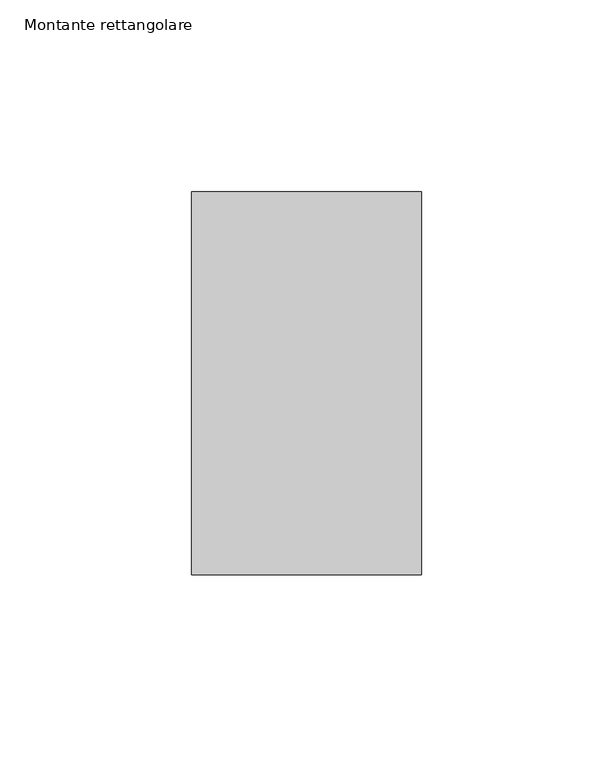
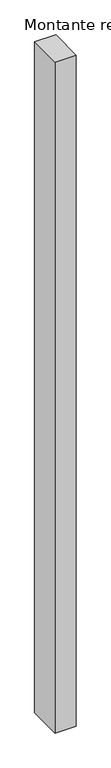
"""IFC4 building model written with IfcOpenShell, lengths in millimetres: member geometry, Montante rettangolare."""

import ifcopenshell
import ifcopenshell.guid

model = None  # the IFC model being written
_history = None  # IfcOwnerHistory: only IFC2X3 demands one
_inside = {}  # id of a spatial element -> (the spatial element, [elements in it])
_under = {}  # id of a project, library or spatial element -> (it, [spatial elements below it])
_declared = {}  # id of a project -> (the project, [libraries it declares])
_typed = {}  # id of a type object -> (the type object, [elements of that type])
_made_of = {}  # id of a material, layer set ... -> (it, [elements and type objects made of it])


def new_model(schema):
    """Start an empty IFC model of exactly this schema.

    Asked for "IFC4X3", IfcOpenShell would pick the latest addendum, in which some entities
    have other attributes; the version numbers below select the first issue.
    IFC2X3 requires an IfcOwnerHistory on every rooted entity: one is made here for all.
    """
    global model, _history
    if schema == "IFC4X3":
        model = ifcopenshell.file(schema_version=(4, 3, 0, 0))
    else:
        model = ifcopenshell.file(schema=schema)
    _inside.clear()
    _under.clear()
    _declared.clear()
    _typed.clear()
    _made_of.clear()
    _history = None
    if model.schema == "IFC2X3":
        org = make("IfcOrganization", Name="unknown")
        user = make(
            "IfcPersonAndOrganization",
            ThePerson=make("IfcPerson", FamilyName="unknown"),
            TheOrganization=org,
        )
        app = make(
            "IfcApplication",
            ApplicationDeveloper=org,
            Version="unknown",
            ApplicationFullName="unknown",
            ApplicationIdentifier="unknown",
        )
        _history = make(
            "IfcOwnerHistory",
            OwningUser=user,
            OwningApplication=app,
            ChangeAction="ADDED",
            CreationDate=0,
        )
    return model


def make(cls, **values):
    """One entity of the class cls with the attributes given. An attribute that is None is left unset."""
    return model.create_entity(
        cls, **{name: value for name, value in values.items() if value is not None}
    )


def rooted(cls, **values):
    """An entity with a GlobalId (a new one), such as an element, a storey or a relation."""
    return make(cls, GlobalId=ifcopenshell.guid.new(), OwnerHistory=_history, **values)


def si_unit(unit_type, name, prefix=None):
    """IfcSIUnit, for example si_unit("LENGTHUNIT", "METRE", prefix="MILLI")."""
    return make("IfcSIUnit", UnitType=unit_type, Prefix=prefix, Name=name)


def assignment(units):
    """IfcUnitAssignment: the units of a project."""
    return None if units is None else make("IfcUnitAssignment", Units=units)


def point(xyz):
    """IfcCartesianPoint."""
    return None if xyz is None else make("IfcCartesianPoint", Coordinates=xyz)


def direction(xyz):
    """IfcDirection."""
    return None if xyz is None else make("IfcDirection", DirectionRatios=xyz)


def frame(location, z_axis=None, x_axis=None):
    """IfcAxis2Placement3D, a coordinate frame: its origin and axes. An axis left out is left unset."""
    return make(
        "IfcAxis2Placement3D",
        Location=point(location),
        Axis=direction(z_axis),
        RefDirection=direction(x_axis),
    )


def origin():
    """The frame at (0, 0, 0) with its axes left unset."""
    return frame((0.0, 0.0, 0.0))


def place(relative_to, where):
    """IfcLocalPlacement: puts the frame where relative to a parent placement (None: the world)."""
    return make(
        "IfcLocalPlacement", PlacementRelTo=relative_to, RelativePlacement=where
    )


def context(
    kind, dimensions, precision=None, world=None, true_north=None, identifier=None
):
    """IfcGeometricRepresentationContext, for example the 3D "Model" context."""
    return make(
        "IfcGeometricRepresentationContext",
        ContextIdentifier=identifier,
        ContextType=kind,
        CoordinateSpaceDimension=dimensions,
        Precision=precision,
        WorldCoordinateSystem=world,
        TrueNorth=true_north,
    )


def project(units=None, contexts=None):
    """IfcProject with its units and contexts."""
    return rooted(
        "IfcProject",
        Name="project",
        RepresentationContexts=contexts,
        UnitsInContext=assignment(units),
    )


def spatial(cls, under=None, at=None, **own):
    """A site, building, storey or space (cls), placed at a placement, below another one or the project."""
    s = rooted(cls, ObjectPlacement=at, **own)
    if under is not None:
        _under.setdefault(under.id(), (under, []))[1].append(s)
    return s


def polyline(points):
    """IfcPolyline through the points."""
    return make("IfcPolyline", Points=[point(p) for p in points])


def outline(outer, holes=None, kind="AREA"):
    """IfcArbitraryClosedProfileDef: a profile drawn as a closed curve; with holes, ...WithVoids."""
    if holes is None:
        return make("IfcArbitraryClosedProfileDef", ProfileType=kind, OuterCurve=outer)
    return make(
        "IfcArbitraryProfileDefWithVoids",
        ProfileType=kind,
        OuterCurve=outer,
        InnerCurves=holes,
    )


def extrude(swept, where, along, depth):
    """IfcExtrudedAreaSolid: the profile swept, set in the frame where, extruded along a direction by depth."""
    return make(
        "IfcExtrudedAreaSolid",
        SweptArea=swept,
        Position=where,
        ExtrudedDirection=direction(along),
        Depth=depth,
    )


def shape(context_of_items, identifier, shape_type, items):
    """IfcShapeRepresentation: the items that make up one representation, for example the "Body"."""
    return make(
        "IfcShapeRepresentation",
        ContextOfItems=context_of_items,
        RepresentationIdentifier=identifier,
        RepresentationType=shape_type,
        Items=items,
    )


def source(mapping_origin, context_of_items, identifier, shape_type, items):
    """IfcRepresentationMap: a shape defined once, which mapped items show again and again."""
    return make(
        "IfcRepresentationMap",
        MappingOrigin=mapping_origin,
        MappedRepresentation=shape(context_of_items, identifier, shape_type, items),
    )


def transform(
    local_origin,
    x_axis=None,
    y_axis=None,
    z_axis=None,
    scale=None,
    scale2=None,
    scale3=None,
    uniform=True,
):
    """IfcCartesianTransformationOperator3D, or its non-uniform kind. x_axis, y_axis, z_axis: its Axis1, 2, 3."""
    if uniform:
        return make(
            "IfcCartesianTransformationOperator3D",
            Axis1=direction(x_axis),
            Axis2=direction(y_axis),
            LocalOrigin=point(local_origin),
            Scale=scale,
            Axis3=direction(z_axis),
        )
    return make(
        "IfcCartesianTransformationOperator3DnonUniform",
        Axis1=direction(x_axis),
        Axis2=direction(y_axis),
        LocalOrigin=point(local_origin),
        Scale=scale,
        Axis3=direction(z_axis),
        Scale2=scale2,
        Scale3=scale3,
    )


def mapped(mapping_source, mapping_target):
    """IfcMappedItem: shows the shape of a source again, moved by a transform."""
    return make(
        "IfcMappedItem", MappingSource=mapping_source, MappingTarget=mapping_target
    )


def made_of(thing, what):
    """Note that an element or type object is made of a material, layer set ...; save() writes the relation."""
    if what is not None:
        _made_of.setdefault(what.id(), (what, []))[1].append(thing)
    return thing


def element(
    cls,
    number,
    at=None,
    inside=None,
    cuts=None,
    type_object=None,
    material=None,
    context=None,
    identifier="Body",
    shape_type=None,
    held_by="IfcProductDefinitionShape",
    body=None,
    shapes=None,
    **own,
):
    """One element of the class cls, such as IfcWall. Its Tag is "e" and its number.

    at: its placement. inside: the storey or other place that contains it. cuts: it is an
    opening in that element (IfcRelVoidsElement). A single representation is given by context,
    identifier, shape_type and body (its items); several are given by shapes. held_by: the class
    of the entity that holds the representations. save() writes the other relations.
    """
    e = rooted(cls, Tag="e%d" % number, ObjectPlacement=at, **own)
    if body is not None:
        shapes = [shape(context, identifier, shape_type, body)]
    if shapes is not None:
        e.Representation = make(held_by, Representations=shapes)
    if inside is not None:
        _inside.setdefault(inside.id(), (inside, []))[1].append(e)
    if cuts is not None:
        rooted(
            "IfcRelVoidsElement", RelatingBuildingElement=cuts, RelatedOpeningElement=e
        )
    if type_object is not None:
        _typed.setdefault(type_object.id(), (type_object, []))[1].append(e)
    return made_of(e, material)


def aggregate(whole, parts):
    """IfcRelAggregates: a whole, such as a stair, and the parts it consists of."""
    return rooted("IfcRelAggregates", RelatingObject=whole, RelatedObjects=parts)


def save(model, path):
    """Write the relations noted so far, then the file.

    IfcRelAggregates (storeys below a building ...), IfcRelContainedInSpatialStructure (elements
    in a storey), IfcRelDefinesByType, IfcRelAssociatesMaterial and IfcRelDeclares: one each for
    every whole, place, type object, material and project.
    """
    for whole, parts in _under.values():
        aggregate(whole, parts)
    for where, things in _inside.values():
        rooted(
            "IfcRelContainedInSpatialStructure",
            RelatedElements=things,
            RelatingStructure=where,
        )
    for kind, things in _typed.values():
        rooted("IfcRelDefinesByType", RelatedObjects=things, RelatingType=kind)
    for what, things in _made_of.values():
        rooted("IfcRelAssociatesMaterial", RelatedObjects=things, RelatingMaterial=what)
    for by, libraries in _declared.values():
        rooted("IfcRelDeclares", RelatingContext=by, RelatedDefinitions=libraries)
    model.write(path)


def montante_rettangolare_91d8a1dd(model_context):
    return source(origin(), model_context, "Body", "SweptSolid", [
        extrude(outline(polyline([(30.0, 50.0), (30.0, -50.0), (-30.0, -50.0), (-30.0, 50.0), (30.0, 50.0)])), frame((0.0, 0.0, -2010.0), z_axis=(0.0, 0.0, 1.0), x_axis=(1.0, 0.0, 0.0)), (0.0, 0.0, 1.0), 2010.0),
    ])


if __name__ == "__main__":
    model = new_model("IFC4")
    model_context = context("Model", 3, world=origin())
    ifc_project = project(units=[si_unit("LENGTHUNIT", "METRE", prefix="MILLI")], contexts=[model_context])
    site = spatial("IfcSite", under=ifc_project)
    building = spatial("IfcBuilding", under=site)
    placement = place(None, origin())
    montante_rettangolare_shape = montante_rettangolare_91d8a1dd(model_context)
    element("IfcMember", 1, ObjectType="Montante rettangolare", at=placement, inside=building, context=model_context, shape_type="MappedRepresentation", body=[
        mapped(montante_rettangolare_shape, transform((0.0, 0.0, 0.0), x_axis=(1.0, 0.0, 0.0), y_axis=(0.0, 1.0, 0.0), z_axis=(0.0, 0.0, 1.0))),
    ])
    save(model, "model.ifc")
